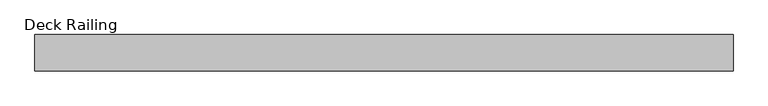
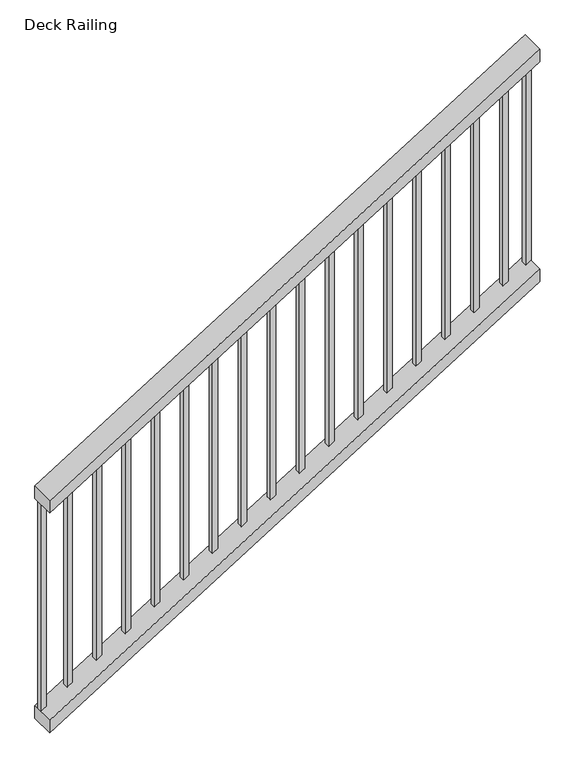
"""IFC4 building model written with IfcOpenShell, lengths in millimetres: railing geometry, Deck Railing."""

from ifc_helpers import new_model, si_unit, frame, origin, place, context, project, spatial, polyline, outline, extrude, source, transform, mapped, element, save


def deck_railing_29f4be55(model_context):
    return source(origin(), model_context, "Body", "SweptSolid", [
        extrude(outline(polyline([(1088.5714286, -10449.8871552), (1043.6748436, -10449.8871552), (2112.4540644, -8735.3871552), (2157.3506494, -8735.3871552), (1088.5714286, -10449.8871552)])), frame((0.0, -1541.5167866, 0.0), z_axis=(0.0, 1.0, 0.0), x_axis=(0.0, 0.0, 1.0)), (0.0, 0.0, 1.0), 88.9),
        extrude(outline(polyline([(275.7714286, -10449.8871552), (230.8748436, -10449.8871552), (1299.6540644, -8735.3871552), (1344.5506494, -8735.3871552), (275.7714286, -10449.8871552)])), frame((0.0, -1541.5167866, 0.0), z_axis=(0.0, 1.0, 0.0), x_axis=(0.0, 0.0, 1.0)), (0.0, 0.0, 1.0), 88.9),
        extrude(outline(polyline([(2062.9735449, -8814.7621552), (2051.0982202, -8833.8121552), (1283.1948052, -8833.8121552), (1295.0701299, -8814.7621552), (2062.9735449, -8814.7621552)])), frame((0.0, -1487.5417866, 0.0), z_axis=(0.0, 1.0, 0.0), x_axis=(0.0, 0.0, 1.0)), (0.0, 0.0, 1.0), 19.05),
        extrude(outline(polyline([(1999.6384799, -8916.3621552), (1987.7631553, -8935.4121552), (1219.8597403, -8935.4121552), (1231.7350649, -8916.3621552), (1999.6384799, -8916.3621552)])), frame((0.0, -1487.5417866, 0.0), z_axis=(0.0, 1.0, 0.0), x_axis=(0.0, 0.0, 1.0)), (0.0, 0.0, 1.0), 19.05),
        extrude(outline(polyline([(1936.303415, -9017.9621552), (1924.4280903, -9037.0121552), (1156.5246753, -9037.0121552), (1168.4, -9017.9621552), (1936.303415, -9017.9621552)])), frame((0.0, -1487.5417866, 0.0), z_axis=(0.0, 1.0, 0.0), x_axis=(0.0, 0.0, 1.0)), (0.0, 0.0, 1.0), 19.05),
        extrude(outline(polyline([(1872.9683501, -9119.5621552), (1861.0930254, -9138.6121552), (1093.1896104, -9138.6121552), (1105.0649351, -9119.5621552), (1872.9683501, -9119.5621552)])), frame((0.0, -1487.5417866, 0.0), z_axis=(0.0, 1.0, 0.0), x_axis=(0.0, 0.0, 1.0)), (0.0, 0.0, 1.0), 19.05),
        extrude(outline(polyline([(1809.6332851, -9221.1621552), (1797.7579605, -9240.2121552), (1029.8545455, -9240.2121552), (1041.7298701, -9221.1621552), (1809.6332851, -9221.1621552)])), frame((0.0, -1487.5417866, 0.0), z_axis=(0.0, 1.0, 0.0), x_axis=(0.0, 0.0, 1.0)), (0.0, 0.0, 1.0), 19.05),
        extrude(outline(polyline([(1746.2982202, -9322.7621552), (1734.4228955, -9341.8121552), (966.5194805, -9341.8121552), (978.3948052, -9322.7621552), (1746.2982202, -9322.7621552)])), frame((0.0, -1487.5417866, 0.0), z_axis=(0.0, 1.0, 0.0), x_axis=(0.0, 0.0, 1.0)), (0.0, 0.0, 1.0), 19.05),
        extrude(outline(polyline([(1682.9631553, -9424.3621552), (1671.0878306, -9443.4121552), (903.1844156, -9443.4121552), (915.0597403, -9424.3621552), (1682.9631553, -9424.3621552)])), frame((0.0, -1487.5417866, 0.0), z_axis=(0.0, 1.0, 0.0), x_axis=(0.0, 0.0, 1.0)), (0.0, 0.0, 1.0), 19.05),
        extrude(outline(polyline([(1619.6280903, -9525.9621552), (1607.7527657, -9545.0121552), (839.8493506, -9545.0121552), (851.7246753, -9525.9621552), (1619.6280903, -9525.9621552)])), frame((0.0, -1487.5417866, 0.0), z_axis=(0.0, 1.0, 0.0), x_axis=(0.0, 0.0, 1.0)), (0.0, 0.0, 1.0), 19.05),
        extrude(outline(polyline([(1556.2930254, -9627.5621552), (1544.4177007, -9646.6121552), (776.5142857, -9646.6121552), (788.3896104, -9627.5621552), (1556.2930254, -9627.5621552)])), frame((0.0, -1487.5417866, 0.0), z_axis=(0.0, 1.0, 0.0), x_axis=(0.0, 0.0, 1.0)), (0.0, 0.0, 1.0), 19.05),
        extrude(outline(polyline([(1492.9579605, -9729.1621552), (1481.0826358, -9748.2121552), (713.1792208, -9748.2121552), (725.0545455, -9729.1621552), (1492.9579605, -9729.1621552)])), frame((0.0, -1487.5417866, 0.0), z_axis=(0.0, 1.0, 0.0), x_axis=(0.0, 0.0, 1.0)), (0.0, 0.0, 1.0), 19.05),
        extrude(outline(polyline([(1429.6228955, -9830.7621552), (1417.7475708, -9849.8121552), (649.8441558, -9849.8121552), (661.7194805, -9830.7621552), (1429.6228955, -9830.7621552)])), frame((0.0, -1487.5417866, 0.0), z_axis=(0.0, 1.0, 0.0), x_axis=(0.0, 0.0, 1.0)), (0.0, 0.0, 1.0), 19.05),
        extrude(outline(polyline([(1366.2878306, -9932.3621552), (1354.4125059, -9951.4121552), (586.5090909, -9951.4121552), (598.3844156, -9932.3621552), (1366.2878306, -9932.3621552)])), frame((0.0, -1487.5417866, 0.0), z_axis=(0.0, 1.0, 0.0), x_axis=(0.0, 0.0, 1.0)), (0.0, 0.0, 1.0), 19.05),
        extrude(outline(polyline([(1302.9527657, -10033.9621552), (1291.077441, -10053.0121552), (523.174026, -10053.0121552), (535.0493506, -10033.9621552), (1302.9527657, -10033.9621552)])), frame((0.0, -1487.5417866, 0.0), z_axis=(0.0, 1.0, 0.0), x_axis=(0.0, 0.0, 1.0)), (0.0, 0.0, 1.0), 19.05),
        extrude(outline(polyline([(1239.6177007, -10135.5621552), (1227.742376, -10154.6121552), (459.838961, -10154.6121552), (471.7142857, -10135.5621552), (1239.6177007, -10135.5621552)])), frame((0.0, -1487.5417866, 0.0), z_axis=(0.0, 1.0, 0.0), x_axis=(0.0, 0.0, 1.0)), (0.0, 0.0, 1.0), 19.05),
        extrude(outline(polyline([(1176.2826358, -10237.1621552), (1164.4073111, -10256.2121552), (396.5038961, -10256.2121552), (408.3792208, -10237.1621552), (1176.2826358, -10237.1621552)])), frame((0.0, -1487.5417866, 0.0), z_axis=(0.0, 1.0, 0.0), x_axis=(0.0, 0.0, 1.0)), (0.0, 0.0, 1.0), 19.05),
        extrude(outline(polyline([(1112.9475708, -10338.7621552), (1101.0722462, -10357.8121552), (333.1688312, -10357.8121552), (345.0441558, -10338.7621552), (1112.9475708, -10338.7621552)])), frame((0.0, -1487.5417866, 0.0), z_axis=(0.0, 1.0, 0.0), x_axis=(0.0, 0.0, 1.0)), (0.0, 0.0, 1.0), 19.05),
        extrude(outline(polyline([(2112.4540644, -8735.3871552), (2100.5787397, -8754.4371552), (1332.6753247, -8754.4371552), (1344.5506494, -8735.3871552), (2112.4540644, -8735.3871552)])), frame((0.0, -1487.5417866, 0.0), z_axis=(0.0, 1.0, 0.0), x_axis=(0.0, 0.0, 1.0)), (0.0, 0.0, 1.0), 19.05),
        extrude(outline(polyline([(1055.5501682, -10430.8371552), (1043.6748436, -10449.8871552), (275.7714286, -10449.8871552), (287.6467532, -10430.8371552), (1055.5501682, -10430.8371552)])), frame((0.0, -1487.5417866, 0.0), z_axis=(0.0, 1.0, 0.0), x_axis=(0.0, 0.0, 1.0)), (0.0, 0.0, 1.0), 19.05),
    ])


if __name__ == "__main__":
    model = new_model("IFC4")
    model_context = context("Model", 3, world=origin())
    ifc_project = project(units=[si_unit("LENGTHUNIT", "METRE", prefix="MILLI")], contexts=[model_context])
    site = spatial("IfcSite", under=ifc_project)
    building = spatial("IfcBuilding", under=site)
    placement = place(None, origin())
    deck_railing_shape = deck_railing_29f4be55(model_context)
    element("IfcRailing", 1, ObjectType="Deck Railing", at=placement, inside=building, context=model_context, shape_type="MappedRepresentation", body=[
        mapped(deck_railing_shape, transform((0.0, 0.0, 0.0), x_axis=(1.0, 0.0, 0.0), y_axis=(0.0, 1.0, 0.0), z_axis=(0.0, 0.0, 1.0))),
    ])
    save(model, "model.ifc")
